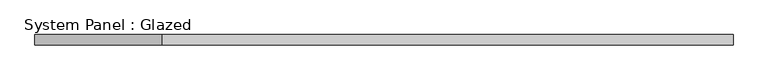
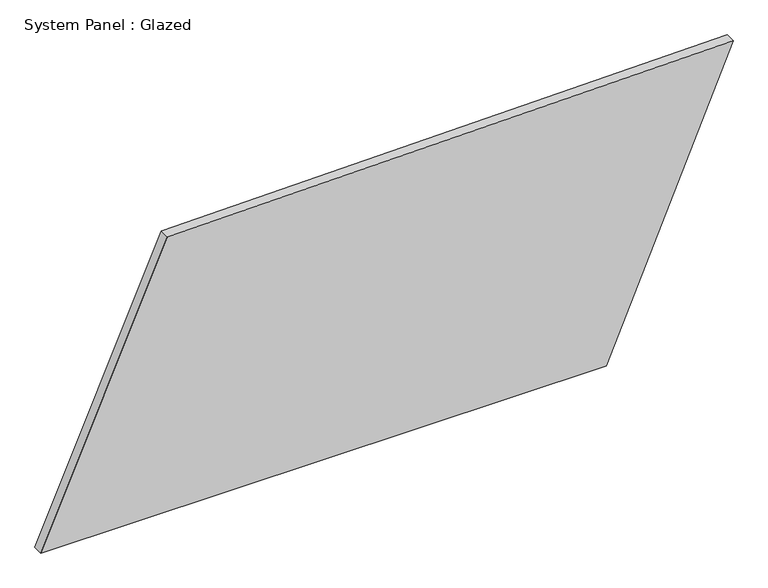
"""IFC4 building model written with IfcOpenShell, lengths in millimetres: plate geometry, System Panel : Glazed."""

import ifcopenshell
import ifcopenshell.guid

model = None  # the IFC model being written
_history = None  # IfcOwnerHistory: only IFC2X3 demands one
_inside = {}  # id of a spatial element -> (the spatial element, [elements in it])
_under = {}  # id of a project, library or spatial element -> (it, [spatial elements below it])
_declared = {}  # id of a project -> (the project, [libraries it declares])
_typed = {}  # id of a type object -> (the type object, [elements of that type])
_made_of = {}  # id of a material, layer set ... -> (it, [elements and type objects made of it])


def new_model(schema):
    """Start an empty IFC model of exactly this schema.

    Asked for "IFC4X3", IfcOpenShell would pick the latest addendum, in which some entities
    have other attributes; the version numbers below select the first issue.
    IFC2X3 requires an IfcOwnerHistory on every rooted entity: one is made here for all.
    """
    global model, _history
    if schema == "IFC4X3":
        model = ifcopenshell.file(schema_version=(4, 3, 0, 0))
    else:
        model = ifcopenshell.file(schema=schema)
    _inside.clear()
    _under.clear()
    _declared.clear()
    _typed.clear()
    _made_of.clear()
    _history = None
    if model.schema == "IFC2X3":
        org = make("IfcOrganization", Name="unknown")
        user = make(
            "IfcPersonAndOrganization",
            ThePerson=make("IfcPerson", FamilyName="unknown"),
            TheOrganization=org,
        )
        app = make(
            "IfcApplication",
            ApplicationDeveloper=org,
            Version="unknown",
            ApplicationFullName="unknown",
            ApplicationIdentifier="unknown",
        )
        _history = make(
            "IfcOwnerHistory",
            OwningUser=user,
            OwningApplication=app,
            ChangeAction="ADDED",
            CreationDate=0,
        )
    return model


def make(cls, **values):
    """One entity of the class cls with the attributes given. An attribute that is None is left unset."""
    return model.create_entity(
        cls, **{name: value for name, value in values.items() if value is not None}
    )


def rooted(cls, **values):
    """An entity with a GlobalId (a new one), such as an element, a storey or a relation."""
    return make(cls, GlobalId=ifcopenshell.guid.new(), OwnerHistory=_history, **values)


def si_unit(unit_type, name, prefix=None):
    """IfcSIUnit, for example si_unit("LENGTHUNIT", "METRE", prefix="MILLI")."""
    return make("IfcSIUnit", UnitType=unit_type, Prefix=prefix, Name=name)


def assignment(units):
    """IfcUnitAssignment: the units of a project."""
    return None if units is None else make("IfcUnitAssignment", Units=units)


def point(xyz):
    """IfcCartesianPoint."""
    return None if xyz is None else make("IfcCartesianPoint", Coordinates=xyz)


def direction(xyz):
    """IfcDirection."""
    return None if xyz is None else make("IfcDirection", DirectionRatios=xyz)


def frame(location, z_axis=None, x_axis=None):
    """IfcAxis2Placement3D, a coordinate frame: its origin and axes. An axis left out is left unset."""
    return make(
        "IfcAxis2Placement3D",
        Location=point(location),
        Axis=direction(z_axis),
        RefDirection=direction(x_axis),
    )


def origin():
    """The frame at (0, 0, 0) with its axes left unset."""
    return frame((0.0, 0.0, 0.0))


def place(relative_to, where):
    """IfcLocalPlacement: puts the frame where relative to a parent placement (None: the world)."""
    return make(
        "IfcLocalPlacement", PlacementRelTo=relative_to, RelativePlacement=where
    )


def context(
    kind, dimensions, precision=None, world=None, true_north=None, identifier=None
):
    """IfcGeometricRepresentationContext, for example the 3D "Model" context."""
    return make(
        "IfcGeometricRepresentationContext",
        ContextIdentifier=identifier,
        ContextType=kind,
        CoordinateSpaceDimension=dimensions,
        Precision=precision,
        WorldCoordinateSystem=world,
        TrueNorth=true_north,
    )


def project(units=None, contexts=None):
    """IfcProject with its units and contexts."""
    return rooted(
        "IfcProject",
        Name="project",
        RepresentationContexts=contexts,
        UnitsInContext=assignment(units),
    )


def spatial(cls, under=None, at=None, **own):
    """A site, building, storey or space (cls), placed at a placement, below another one or the project."""
    s = rooted(cls, ObjectPlacement=at, **own)
    if under is not None:
        _under.setdefault(under.id(), (under, []))[1].append(s)
    return s


def polyline(points):
    """IfcPolyline through the points."""
    return make("IfcPolyline", Points=[point(p) for p in points])


def outline(outer, holes=None, kind="AREA"):
    """IfcArbitraryClosedProfileDef: a profile drawn as a closed curve; with holes, ...WithVoids."""
    if holes is None:
        return make("IfcArbitraryClosedProfileDef", ProfileType=kind, OuterCurve=outer)
    return make(
        "IfcArbitraryProfileDefWithVoids",
        ProfileType=kind,
        OuterCurve=outer,
        InnerCurves=holes,
    )


def extrude(swept, where, along, depth):
    """IfcExtrudedAreaSolid: the profile swept, set in the frame where, extruded along a direction by depth."""
    return make(
        "IfcExtrudedAreaSolid",
        SweptArea=swept,
        Position=where,
        ExtrudedDirection=direction(along),
        Depth=depth,
    )


def shape(context_of_items, identifier, shape_type, items):
    """IfcShapeRepresentation: the items that make up one representation, for example the "Body"."""
    return make(
        "IfcShapeRepresentation",
        ContextOfItems=context_of_items,
        RepresentationIdentifier=identifier,
        RepresentationType=shape_type,
        Items=items,
    )


def source(mapping_origin, context_of_items, identifier, shape_type, items):
    """IfcRepresentationMap: a shape defined once, which mapped items show again and again."""
    return make(
        "IfcRepresentationMap",
        MappingOrigin=mapping_origin,
        MappedRepresentation=shape(context_of_items, identifier, shape_type, items),
    )


def transform(
    local_origin,
    x_axis=None,
    y_axis=None,
    z_axis=None,
    scale=None,
    scale2=None,
    scale3=None,
    uniform=True,
):
    """IfcCartesianTransformationOperator3D, or its non-uniform kind. x_axis, y_axis, z_axis: its Axis1, 2, 3."""
    if uniform:
        return make(
            "IfcCartesianTransformationOperator3D",
            Axis1=direction(x_axis),
            Axis2=direction(y_axis),
            LocalOrigin=point(local_origin),
            Scale=scale,
            Axis3=direction(z_axis),
        )
    return make(
        "IfcCartesianTransformationOperator3DnonUniform",
        Axis1=direction(x_axis),
        Axis2=direction(y_axis),
        LocalOrigin=point(local_origin),
        Scale=scale,
        Axis3=direction(z_axis),
        Scale2=scale2,
        Scale3=scale3,
    )


def mapped(mapping_source, mapping_target):
    """IfcMappedItem: shows the shape of a source again, moved by a transform."""
    return make(
        "IfcMappedItem", MappingSource=mapping_source, MappingTarget=mapping_target
    )


def made_of(thing, what):
    """Note that an element or type object is made of a material, layer set ...; save() writes the relation."""
    if what is not None:
        _made_of.setdefault(what.id(), (what, []))[1].append(thing)
    return thing


def element(
    cls,
    number,
    at=None,
    inside=None,
    cuts=None,
    type_object=None,
    material=None,
    context=None,
    identifier="Body",
    shape_type=None,
    held_by="IfcProductDefinitionShape",
    body=None,
    shapes=None,
    **own,
):
    """One element of the class cls, such as IfcWall. Its Tag is "e" and its number.

    at: its placement. inside: the storey or other place that contains it. cuts: it is an
    opening in that element (IfcRelVoidsElement). A single representation is given by context,
    identifier, shape_type and body (its items); several are given by shapes. held_by: the class
    of the entity that holds the representations. save() writes the other relations.
    """
    e = rooted(cls, Tag="e%d" % number, ObjectPlacement=at, **own)
    if body is not None:
        shapes = [shape(context, identifier, shape_type, body)]
    if shapes is not None:
        e.Representation = make(held_by, Representations=shapes)
    if inside is not None:
        _inside.setdefault(inside.id(), (inside, []))[1].append(e)
    if cuts is not None:
        rooted(
            "IfcRelVoidsElement", RelatingBuildingElement=cuts, RelatedOpeningElement=e
        )
    if type_object is not None:
        _typed.setdefault(type_object.id(), (type_object, []))[1].append(e)
    return made_of(e, material)


def aggregate(whole, parts):
    """IfcRelAggregates: a whole, such as a stair, and the parts it consists of."""
    return rooted("IfcRelAggregates", RelatingObject=whole, RelatedObjects=parts)


def save(model, path):
    """Write the relations noted so far, then the file.

    IfcRelAggregates (storeys below a building ...), IfcRelContainedInSpatialStructure (elements
    in a storey), IfcRelDefinesByType, IfcRelAssociatesMaterial and IfcRelDeclares: one each for
    every whole, place, type object, material and project.
    """
    for whole, parts in _under.values():
        aggregate(whole, parts)
    for where, things in _inside.values():
        rooted(
            "IfcRelContainedInSpatialStructure",
            RelatedElements=things,
            RelatingStructure=where,
        )
    for kind, things in _typed.values():
        rooted("IfcRelDefinesByType", RelatedObjects=things, RelatingType=kind)
    for what, things in _made_of.values():
        rooted("IfcRelAssociatesMaterial", RelatedObjects=things, RelatingMaterial=what)
    for by, libraries in _declared.values():
        rooted("IfcRelDeclares", RelatingContext=by, RelatedDefinitions=libraries)
    model.write(path)


def system_panel_glazed_daf21b28(model_context):
    return source(origin(), model_context, "Body", "SweptSolid", [
        extrude(outline(polyline([(0.0, -861.3121762), (0.0, 545.7173543), (745.9089515, 861.3121762), (721.830834, -546.63902), (0.0, -861.3121762)])), frame((0.0, -49.5, 0.0), z_axis=(0.0, 1.0, 0.0), x_axis=(0.0, 0.0, 1.0)), (0.0, 0.0, 1.0), 25.0),
    ])


if __name__ == "__main__":
    model = new_model("IFC4")
    model_context = context("Model", 3, world=origin())
    ifc_project = project(units=[si_unit("LENGTHUNIT", "METRE", prefix="MILLI")], contexts=[model_context])
    site = spatial("IfcSite", under=ifc_project)
    building = spatial("IfcBuilding", under=site)
    placement = place(None, origin())
    system_panel_glazed_shape = system_panel_glazed_daf21b28(model_context)
    element("IfcPlate", 1, ObjectType="System Panel : Glazed", at=placement, inside=building, context=model_context, shape_type="MappedRepresentation", body=[
        mapped(system_panel_glazed_shape, transform((0.0, 0.0, 0.0), x_axis=(1.0, 0.0, 0.0), y_axis=(0.0, 1.0, 0.0), z_axis=(0.0, 0.0, 1.0))),
    ])
    save(model, "model.ifc")
